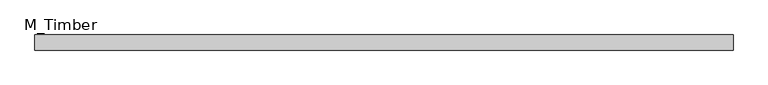
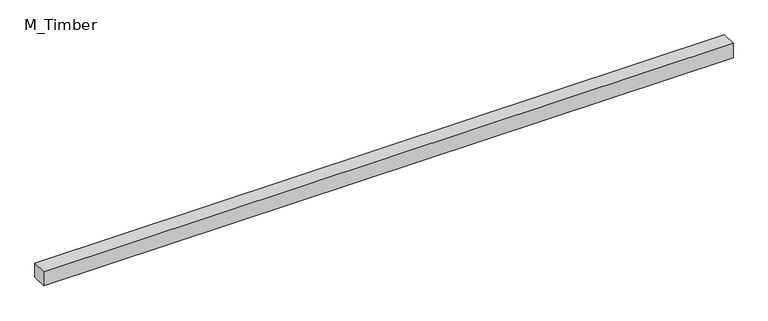
"""IFC4 building model written with IfcOpenShell, lengths in millimetres: beam geometry, M_Timber."""

from ifc_helpers import new_model, si_unit, frame, origin, place, context, project, spatial, polyline, outline, extrude, source, transform, mapped, element, save


def m_timber_42f76865(model_context):
    return source(origin(), model_context, "Body", "SweptSolid", [
        extrude(outline(polyline([(922.5114167, 20.0), (922.5114167, -20.0), (-922.5114167, -20.0), (-922.5114167, 20.0), (922.5114167, 20.0)])), frame((0.0, 0.0, -20.0), z_axis=(0.0, 0.0, 1.0), x_axis=(1.0, 0.0, 0.0)), (0.0, 0.0, 1.0), 40.0),
    ])


if __name__ == "__main__":
    model = new_model("IFC4")
    model_context = context("Model", 3, world=origin())
    ifc_project = project(units=[si_unit("LENGTHUNIT", "METRE", prefix="MILLI")], contexts=[model_context])
    site = spatial("IfcSite", under=ifc_project)
    building = spatial("IfcBuilding", under=site)
    placement = place(None, origin())
    m_timber_shape = m_timber_42f76865(model_context)
    element("IfcBeam", 1, ObjectType="M_Timber", at=placement, inside=building, context=model_context, shape_type="MappedRepresentation", body=[
        mapped(m_timber_shape, transform((0.0, 0.0, 0.0), x_axis=(1.0, 0.0, 0.0), y_axis=(0.0, 1.0, 0.0), z_axis=(0.0, 0.0, 1.0))),
    ])
    save(model, "model.ifc")
